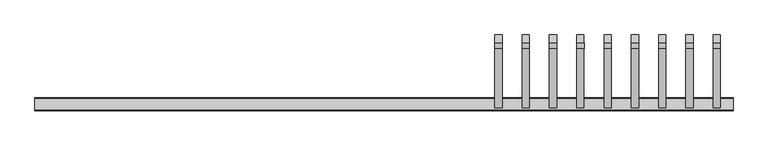
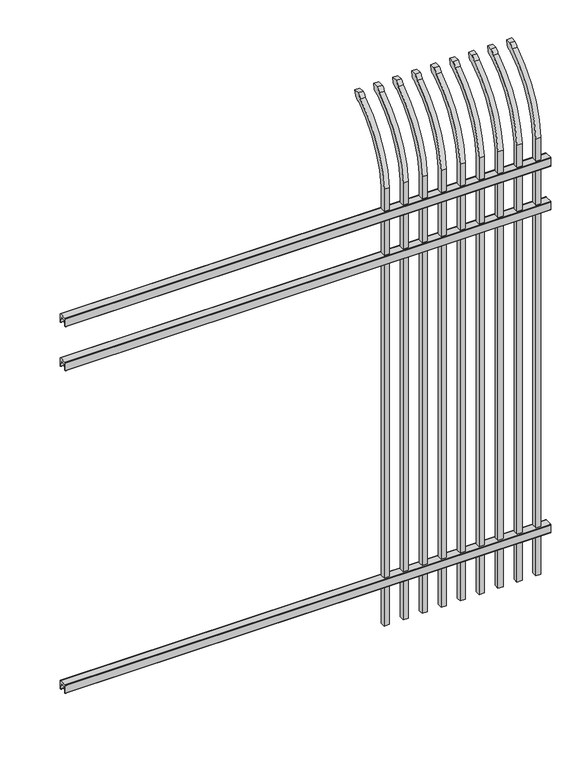
"""IFC4 building model written with IfcOpenShell, lengths in millimetres: railing geometry."""

from ifc_helpers import new_model, si_unit, point, frame, frame_2d, origin, place, context, project, spatial, polyline, circle_curve, ellipse_curve, trimmed, segment, composite_curve, outline, extrude, source, transform, mapped, element, save
from ifc_brep_helpers import plane_surface, cylinder_surface, revolved_surface, extruded_surface, advanced_brep


def railing_83c5aa42(model_context):
    return source(origin(), model_context, "Body", "SolidModel", [
        extrude(outline(composite_curve([segment(polyline([(10349.9139761, 304.8), (10387.969541, 304.8)]), True, "CONTINUOUS"), segment(trimmed(circle_curve(frame_2d((10387.969541, 301.625)), 3.175), [point((10387.969541, 304.8))], [point((10391.144541, 301.625))], False, "CARTESIAN"), True, "CONTINUOUS"), segment(polyline([(10391.144541, 301.625), (10391.144541, 262.1439893)]), True, "CONTINUOUS"), segment(trimmed(circle_curve(frame_2d((10389.3505518, 262.1439893)), 1.7939893), [point((10391.144541, 262.1439893))], [point((10389.3505518, 260.35))], False, "CARTESIAN"), True, "CONTINUOUS"), segment(polyline([(10389.3505518, 260.35), (10386.7590713, 260.35)]), True, "CONTINUOUS"), segment(trimmed(circle_curve(frame_2d((10386.7590713, 262.1359375)), 1.7859375), [point((10386.7590713, 260.35))], [point((10384.9755813, 262.0424688))], False, "CARTESIAN"), True, "CONTINUOUS"), segment(polyline([(10384.9755813, 262.0424688), (10383.4025867, 292.0569942), (10354.4364954, 292.0569942), (10352.8635007, 262.0424688)]), True, "CONTINUOUS"), segment(trimmed(circle_curve(frame_2d((10351.0800108, 262.1359375)), 1.7859375), [point((10352.8635007, 262.0424688))], [point((10351.0800108, 260.35))], False, "CARTESIAN"), True, "CONTINUOUS"), segment(polyline([(10351.0800108, 260.35), (10348.4804785, 260.35)]), True, "CONTINUOUS"), segment(trimmed(circle_curve(frame_2d((10348.4804785, 262.1359375)), 1.7859375), [point((10348.4804785, 260.35))], [point((10346.694541, 262.1359375))], False, "CARTESIAN"), True, "CONTINUOUS"), segment(polyline([(10346.694541, 262.1359375), (10346.694541, 301.5805649)]), True, "CONTINUOUS"), segment(trimmed(circle_curve(frame_2d((10349.9139761, 301.5805649)), 3.2194351), [point((10346.694541, 301.5805649))], [point((10349.9139761, 304.8))], False, "CARTESIAN"), True, "CONTINUOUS")], self_intersect=False)), frame((24591.7350064, 0.0, 0.0), z_axis=(1.0, 0.0, 0.0), x_axis=(0.0, 1.0, 0.0)), (0.0, 0.0, 1.0), 2438.4),
        extrude(outline(composite_curve([segment(polyline([(10349.9139761, 2017.7125), (10387.969541, 2017.7125)]), True, "CONTINUOUS"), segment(trimmed(circle_curve(frame_2d((10387.969541, 2014.5375)), 3.175), [point((10387.969541, 2017.7125))], [point((10391.144541, 2014.5375))], False, "CARTESIAN"), True, "CONTINUOUS"), segment(polyline([(10391.144541, 2014.5375), (10391.144541, 1975.0564893)]), True, "CONTINUOUS"), segment(trimmed(circle_curve(frame_2d((10389.3505518, 1975.0564893)), 1.7939893), [point((10391.144541, 1975.0564893))], [point((10389.3505518, 1973.2625))], False, "CARTESIAN"), True, "CONTINUOUS"), segment(polyline([(10389.3505518, 1973.2625), (10386.7590713, 1973.2625)]), True, "CONTINUOUS"), segment(trimmed(circle_curve(frame_2d((10386.7590713, 1975.0484375)), 1.7859375), [point((10386.7590713, 1973.2625))], [point((10384.9755813, 1974.9549688))], False, "CARTESIAN"), True, "CONTINUOUS"), segment(polyline([(10384.9755813, 1974.9549688), (10383.4025867, 2004.9694942), (10354.4364954, 2004.9694942), (10352.8635007, 1974.9549688)]), True, "CONTINUOUS"), segment(trimmed(circle_curve(frame_2d((10351.0800108, 1975.0484375)), 1.7859375), [point((10352.8635007, 1974.9549688))], [point((10351.0800108, 1973.2625))], False, "CARTESIAN"), True, "CONTINUOUS"), segment(polyline([(10351.0800108, 1973.2625), (10348.4804785, 1973.2625)]), True, "CONTINUOUS"), segment(trimmed(circle_curve(frame_2d((10348.4804785, 1975.0484375)), 1.7859375), [point((10348.4804785, 1973.2625))], [point((10346.694541, 1975.0484375))], False, "CARTESIAN"), True, "CONTINUOUS"), segment(polyline([(10346.694541, 1975.0484375), (10346.694541, 2014.4930649)]), True, "CONTINUOUS"), segment(trimmed(circle_curve(frame_2d((10349.9139761, 2014.4930649)), 3.2194351), [point((10346.694541, 2014.4930649))], [point((10349.9139761, 2017.7125))], False, "CARTESIAN"), True, "CONTINUOUS")], self_intersect=False)), frame((24591.7350064, 0.0, 0.0), z_axis=(1.0, 0.0, 0.0), x_axis=(0.0, 1.0, 0.0)), (0.0, 0.0, 1.0), 2438.4),
        extrude(outline(composite_curve([segment(polyline([(10349.9139761, 2251.075), (10387.969541, 2251.075)]), True, "CONTINUOUS"), segment(trimmed(circle_curve(frame_2d((10387.969541, 2247.9)), 3.175), [point((10387.969541, 2251.075))], [point((10391.144541, 2247.9))], False, "CARTESIAN"), True, "CONTINUOUS"), segment(polyline([(10391.144541, 2247.9), (10391.144541, 2208.4189893)]), True, "CONTINUOUS"), segment(trimmed(circle_curve(frame_2d((10389.3505518, 2208.4189893)), 1.7939893), [point((10391.144541, 2208.4189893))], [point((10389.3505518, 2206.625))], False, "CARTESIAN"), True, "CONTINUOUS"), segment(polyline([(10389.3505518, 2206.625), (10386.7590713, 2206.625)]), True, "CONTINUOUS"), segment(trimmed(circle_curve(frame_2d((10386.7590713, 2208.4109375)), 1.7859375), [point((10386.7590713, 2206.625))], [point((10384.9755813, 2208.3174688))], False, "CARTESIAN"), True, "CONTINUOUS"), segment(polyline([(10384.9755813, 2208.3174688), (10383.4025867, 2238.3319942), (10354.4364954, 2238.3319942), (10352.8635007, 2208.3174688)]), True, "CONTINUOUS"), segment(trimmed(circle_curve(frame_2d((10351.0800108, 2208.4109375)), 1.7859375), [point((10352.8635007, 2208.3174688))], [point((10351.0800108, 2206.625))], False, "CARTESIAN"), True, "CONTINUOUS"), segment(polyline([(10351.0800108, 2206.625), (10348.4804785, 2206.625)]), True, "CONTINUOUS"), segment(trimmed(circle_curve(frame_2d((10348.4804785, 2208.4109375)), 1.7859375), [point((10348.4804785, 2206.625))], [point((10346.694541, 2208.4109375))], False, "CARTESIAN"), True, "CONTINUOUS"), segment(polyline([(10346.694541, 2208.4109375), (10346.694541, 2247.8555649)]), True, "CONTINUOUS"), segment(trimmed(circle_curve(frame_2d((10349.9139761, 2247.8555649)), 3.2194351), [point((10346.694541, 2247.8555649))], [point((10349.9139761, 2251.075))], False, "CARTESIAN"), True, "CONTINUOUS")], self_intersect=False)), frame((24591.7350064, 0.0, 0.0), z_axis=(1.0, 0.0, 0.0), x_axis=(0.0, 1.0, 0.0)), (0.0, 0.0, 1.0), 2438.4),
        advanced_brep(
        [(26985.6850064, 10381.619541, 50.8), (26985.6850064, 10381.619541, 2368.7226889), (26985.6850064, 10578.7326851, 2700.9022378), (26985.6850064, 10605.2407099, 2715.5867549), (26985.6850064, 10611.1100864, 2743.2), (26985.6850064, 10582.8799449, 2743.2), (26985.6850064, 10563.4931591, 2722.2682561), (26985.6850064, 10356.219541, 2368.7226889), (26985.6850064, 10356.219541, 50.8), (26960.2850064, 10381.619541, 50.8), (26960.2850064, 10381.619541, 2368.7226889), (26960.2850064, 10356.219541, 2368.7226889), (26960.2850064, 10356.219541, 50.8), (26960.2850064, 10563.4931591, 2722.2682561), (26960.2850064, 10582.8799449, 2743.2), (26960.2850064, 10611.1100864, 2743.2), (26960.2850064, 10605.2407099, 2715.5867549), (26960.2850064, 10578.7326851, 2700.9022378)],
        [
            (0, 1),
            (1, 2, circle_curve(frame((26985.6850064, 10818.9874207, 2333.7640776), z_axis=(-1.0, 0.0, 0.0), x_axis=(0.0, 1.0, 0.0)), 438.7627681)),
            (2, 3, ellipse_curve(frame((26985.6850064, 10586.5579376, 2723.3180619), z_axis=(1.0, 0.0, 0.0), x_axis=(0.0, -0.7771459614569761, -0.6293203910498311)), 26.7460194, 19.05)),
            (3, 4),
            (4, 5),
            (5, 6, ellipse_curve(frame((26985.6850064, 10586.5579376, 2723.3180619), z_axis=(0.9999999999999999, 0.0, 0.0), x_axis=(0.0, -0.7771459614569763, -0.6293203910498306)), 26.7460194, 19.05)),
            (6, 7, circle_curve(frame((26985.6850064, 10818.0333244, 2335.5065933), z_axis=(1.0, 0.0, 0.0), x_axis=(0.0, 1.0, 0.0)), 463.0067812)),
            (7, 8),
            (8, 0),
            (0, 9),
            (9, 10),
            (10, 1),
            (7, 11),
            (11, 12),
            (12, 8),
            (12, 9),
            (11, 13, circle_curve(frame((26960.2850064, 10818.0333244, 2335.5065933), z_axis=(-1.0, 0.0, 0.0), x_axis=(0.0, 1.0, 0.0)), 463.0067812)),
            (13, 14, ellipse_curve(frame((26960.2850064, 10586.5579376, 2723.3180619), z_axis=(-0.9999999999999999, 0.0, 0.0), x_axis=(0.0, -0.7771459614569763, -0.6293203910498306)), 26.7460194, 19.05)),
            (14, 15),
            (15, 16),
            (16, 17, ellipse_curve(frame((26960.2850064, 10586.5579376, 2723.3180619), z_axis=(-1.0, 0.0, 0.0), x_axis=(0.0, -0.7771459614569761, -0.6293203910498311)), 26.7460194, 19.05)),
            (17, 10, circle_curve(frame((26960.2850064, 10818.9874207, 2333.7640776), z_axis=(1.0, 0.0, 0.0), x_axis=(0.0, 1.0, 0.0)), 438.7627681)),
            (17, 2),
            (16, 3),
            (15, 4),
            (14, 5),
            (13, 6),
        ],
        [
            plane_surface(frame((26985.6850064, 10381.619541, 50.8), z_axis=(1.0, 0.0, 0.0), x_axis=(0.0, 0.0, 1.0))),
            plane_surface(frame((26985.6850064, 10381.619541, 50.8), z_axis=(0.0, 1.0, 0.0), x_axis=(-1.0, 0.0, 0.0))),
            plane_surface(frame((26985.6850064, 10356.219541, 2368.7226889), z_axis=(0.0, -1.0, 0.0), x_axis=(-1.0, 0.0, 0.0))),
            plane_surface(frame((26985.6850064, 10356.219541, 50.8), z_axis=(0.0, 0.0, -1.0), x_axis=(-1.0, 0.0, 0.0))),
            plane_surface(frame((26960.2850064, 10381.619541, 50.8), z_axis=(-1.0, 0.0, 0.0), x_axis=(0.0, 0.0, -1.0))),
            revolved_surface(polyline([(26960.2850064, 11257.750188799999, 2333.7640776), (26985.6850064, 11257.750188799999, 2333.7640776)]), (26960.2850064, 10818.9874207, 2333.7640776), (-1.0, 0.0, 0.0)),
            extruded_surface(trimmed(ellipse_curve(frame((26934.8850064, 10586.5579376, 2723.3180619), z_axis=(1.0, 0.0, 0.0), x_axis=(0.0, -0.7771459614569761, -0.6293203910498311)), 26.7460194, 19.05), [point((26934.8850064, 10578.7326851, 2700.9022378))], [point((26934.8850064, 10605.2407099, 2715.5867549))], True, "CARTESIAN"), (25.400000000001455, 0.0, 0.0), 25.400000000001455),
            plane_surface(frame((26985.6850064, 10605.2407099, 2715.5867549), z_axis=(0.0, 0.9781476007337995, -0.2079116908177883), x_axis=(-1.0, 0.0, 0.0))),
            plane_surface(frame((26985.6850064, 10611.1100864, 2743.2), z_axis=(0.0, 0.0, 1.0), x_axis=(-1.0, 0.0, 0.0))),
            extruded_surface(trimmed(ellipse_curve(frame((26934.8850064, 10586.5579376, 2723.3180619), z_axis=(0.9999999999999999, 0.0, 0.0), x_axis=(0.0, -0.7771459614569763, -0.6293203910498306)), 26.7460194, 19.05), [point((26934.8850064, 10582.8799449, 2743.2))], [point((26934.8850064, 10563.4931591, 2722.2682561))], True, "CARTESIAN"), (25.400000000001455, 0.0, 0.0), 25.400000000001455),
            cylinder_surface(frame((26960.2850064, 10818.0333244, 2335.5065933), z_axis=(1.0, 0.0, 0.0), x_axis=(0.0, 1.0, 0.0)), 463.0067812),
        ],
        [
            (0, [[1, 2, 3, 4, 5, 6, 7, 8, 9]]),
            (1, [[-1, 10, 11, 12]]),
            (2, [[-8, 13, 14, 15]]),
            (3, [[-9, -15, 16, -10]]),
            (4, [[-16, -14, 17, 18, 19, 20, 21, 22, -11]]),
            (5, [[-2, -12, -22, 23]]),
            (6, [[-3, -23, -21, 24]]),
            (7, [[-4, -24, -20, 25]]),
            (8, [[-5, -25, -19, 26]]),
            (9, [[-6, -26, -18, 27]]),
            (10, [[-7, -27, -17, -13]]),
        ],
    ),
        advanced_brep(
        [(26890.4350064, 10381.619541, 50.8), (26890.4350064, 10381.619541, 2368.7226889), (26890.4350064, 10578.7326851, 2700.9022378), (26890.4350064, 10605.2407099, 2715.5867549), (26890.4350064, 10611.1100864, 2743.2), (26890.4350064, 10582.8799449, 2743.2), (26890.4350064, 10563.4931591, 2722.2682561), (26890.4350064, 10356.219541, 2368.7226889), (26890.4350064, 10356.219541, 50.8), (26865.0350064, 10381.619541, 50.8), (26865.0350064, 10381.619541, 2368.7226889), (26865.0350064, 10356.219541, 2368.7226889), (26865.0350064, 10356.219541, 50.8), (26865.0350064, 10563.4931591, 2722.2682561), (26865.0350064, 10582.8799449, 2743.2), (26865.0350064, 10611.1100864, 2743.2), (26865.0350064, 10605.2407099, 2715.5867549), (26865.0350064, 10578.7326851, 2700.9022378)],
        [
            (0, 1),
            (1, 2, circle_curve(frame((26890.4350064, 10818.9874207, 2333.7640776), z_axis=(-1.0, 0.0, 0.0), x_axis=(0.0, 1.0, 0.0)), 438.7627681)),
            (2, 3, ellipse_curve(frame((26890.4350064, 10586.5579376, 2723.3180619), z_axis=(1.0, 0.0, 0.0), x_axis=(0.0, -0.7771459614569761, -0.6293203910498311)), 26.7460194, 19.05)),
            (3, 4),
            (4, 5),
            (5, 6, ellipse_curve(frame((26890.4350064, 10586.5579376, 2723.3180619), z_axis=(0.9999999999999999, 0.0, 0.0), x_axis=(0.0, -0.7771459614569763, -0.6293203910498306)), 26.7460194, 19.05)),
            (6, 7, circle_curve(frame((26890.4350064, 10818.0333244, 2335.5065933), z_axis=(1.0, 0.0, 0.0), x_axis=(0.0, 1.0, 0.0)), 463.0067812)),
            (7, 8),
            (8, 0),
            (0, 9),
            (9, 10),
            (10, 1),
            (7, 11),
            (11, 12),
            (12, 8),
            (12, 9),
            (11, 13, circle_curve(frame((26865.0350064, 10818.0333244, 2335.5065933), z_axis=(-1.0, 0.0, 0.0), x_axis=(0.0, 1.0, 0.0)), 463.0067812)),
            (13, 14, ellipse_curve(frame((26865.0350064, 10586.5579376, 2723.3180619), z_axis=(-0.9999999999999999, 0.0, 0.0), x_axis=(0.0, -0.7771459614569763, -0.6293203910498306)), 26.7460194, 19.05)),
            (14, 15),
            (15, 16),
            (16, 17, ellipse_curve(frame((26865.0350064, 10586.5579376, 2723.3180619), z_axis=(-1.0, 0.0, 0.0), x_axis=(0.0, -0.7771459614569761, -0.6293203910498311)), 26.7460194, 19.05)),
            (17, 10, circle_curve(frame((26865.0350064, 10818.9874207, 2333.7640776), z_axis=(1.0, 0.0, 0.0), x_axis=(0.0, 1.0, 0.0)), 438.7627681)),
            (17, 2),
            (16, 3),
            (15, 4),
            (14, 5),
            (13, 6),
        ],
        [
            plane_surface(frame((26890.4350064, 10381.619541, 50.8), z_axis=(1.0, 0.0, 0.0), x_axis=(0.0, 0.0, 1.0))),
            plane_surface(frame((26890.4350064, 10381.619541, 50.8), z_axis=(0.0, 1.0, 0.0), x_axis=(-1.0, 0.0, 0.0))),
            plane_surface(frame((26890.4350064, 10356.219541, 2368.7226889), z_axis=(0.0, -1.0, 0.0), x_axis=(-1.0, 0.0, 0.0))),
            plane_surface(frame((26890.4350064, 10356.219541, 50.8), z_axis=(0.0, 0.0, -1.0), x_axis=(-1.0, 0.0, 0.0))),
            plane_surface(frame((26865.0350064, 10381.619541, 50.8), z_axis=(-1.0, 0.0, 0.0), x_axis=(0.0, 0.0, -1.0))),
            revolved_surface(polyline([(26865.0350064, 11257.750188799999, 2333.7640776), (26890.4350064, 11257.750188799999, 2333.7640776)]), (26865.0350064, 10818.9874207, 2333.7640776), (-1.0, 0.0, 0.0)),
            extruded_surface(trimmed(ellipse_curve(frame((26839.6350064, 10586.5579376, 2723.3180619), z_axis=(1.0, 0.0, 0.0), x_axis=(0.0, -0.7771459614569761, -0.6293203910498311)), 26.7460194, 19.05), [point((26839.6350064, 10578.7326851, 2700.9022378))], [point((26839.6350064, 10605.2407099, 2715.5867549))], True, "CARTESIAN"), (25.400000000001455, 0.0, 0.0), 25.400000000001455),
            plane_surface(frame((26890.4350064, 10605.2407099, 2715.5867549), z_axis=(0.0, 0.9781476007337995, -0.2079116908177883), x_axis=(-1.0, 0.0, 0.0))),
            plane_surface(frame((26890.4350064, 10611.1100864, 2743.2), z_axis=(0.0, 0.0, 1.0), x_axis=(-1.0, 0.0, 0.0))),
            extruded_surface(trimmed(ellipse_curve(frame((26839.6350064, 10586.5579376, 2723.3180619), z_axis=(0.9999999999999999, 0.0, 0.0), x_axis=(0.0, -0.7771459614569763, -0.6293203910498306)), 26.7460194, 19.05), [point((26839.6350064, 10582.8799449, 2743.2))], [point((26839.6350064, 10563.4931591, 2722.2682561))], True, "CARTESIAN"), (25.400000000001455, 0.0, 0.0), 25.400000000001455),
            cylinder_surface(frame((26865.0350064, 10818.0333244, 2335.5065933), z_axis=(1.0, 0.0, 0.0), x_axis=(0.0, 1.0, 0.0)), 463.0067812),
        ],
        [
            (0, [[1, 2, 3, 4, 5, 6, 7, 8, 9]]),
            (1, [[-1, 10, 11, 12]]),
            (2, [[-8, 13, 14, 15]]),
            (3, [[-9, -15, 16, -10]]),
            (4, [[-16, -14, 17, 18, 19, 20, 21, 22, -11]]),
            (5, [[-2, -12, -22, 23]]),
            (6, [[-3, -23, -21, 24]]),
            (7, [[-4, -24, -20, 25]]),
            (8, [[-5, -25, -19, 26]]),
            (9, [[-6, -26, -18, 27]]),
            (10, [[-7, -27, -17, -13]]),
        ],
    ),
        advanced_brep(
        [(26795.1850064, 10381.619541, 50.8), (26795.1850064, 10381.619541, 2368.7226889), (26795.1850064, 10578.7326851, 2700.9022378), (26795.1850064, 10605.2407099, 2715.5867549), (26795.1850064, 10611.1100864, 2743.2), (26795.1850064, 10582.8799449, 2743.2), (26795.1850064, 10563.4931591, 2722.2682561), (26795.1850064, 10356.219541, 2368.7226889), (26795.1850064, 10356.219541, 50.8), (26769.7850064, 10381.619541, 50.8), (26769.7850064, 10381.619541, 2368.7226889), (26769.7850064, 10356.219541, 2368.7226889), (26769.7850064, 10356.219541, 50.8), (26769.7850064, 10563.4931591, 2722.2682561), (26769.7850064, 10582.8799449, 2743.2), (26769.7850064, 10611.1100864, 2743.2), (26769.7850064, 10605.2407099, 2715.5867549), (26769.7850064, 10578.7326851, 2700.9022378)],
        [
            (0, 1),
            (1, 2, circle_curve(frame((26795.1850064, 10818.9874207, 2333.7640776), z_axis=(-1.0, 0.0, 0.0), x_axis=(0.0, 1.0, 0.0)), 438.7627681)),
            (2, 3, ellipse_curve(frame((26795.1850064, 10586.5579376, 2723.3180619), z_axis=(1.0, 0.0, 0.0), x_axis=(0.0, -0.7771459614569761, -0.6293203910498311)), 26.7460194, 19.05)),
            (3, 4),
            (4, 5),
            (5, 6, ellipse_curve(frame((26795.1850064, 10586.5579376, 2723.3180619), z_axis=(0.9999999999999999, 0.0, 0.0), x_axis=(0.0, -0.7771459614569763, -0.6293203910498306)), 26.7460194, 19.05)),
            (6, 7, circle_curve(frame((26795.1850064, 10818.0333244, 2335.5065933), z_axis=(1.0, 0.0, 0.0), x_axis=(0.0, 1.0, 0.0)), 463.0067812)),
            (7, 8),
            (8, 0),
            (0, 9),
            (9, 10),
            (10, 1),
            (7, 11),
            (11, 12),
            (12, 8),
            (12, 9),
            (11, 13, circle_curve(frame((26769.7850064, 10818.0333244, 2335.5065933), z_axis=(-1.0, 0.0, 0.0), x_axis=(0.0, 1.0, 0.0)), 463.0067812)),
            (13, 14, ellipse_curve(frame((26769.7850064, 10586.5579376, 2723.3180619), z_axis=(-0.9999999999999999, 0.0, 0.0), x_axis=(0.0, -0.7771459614569763, -0.6293203910498306)), 26.7460194, 19.05)),
            (14, 15),
            (15, 16),
            (16, 17, ellipse_curve(frame((26769.7850064, 10586.5579376, 2723.3180619), z_axis=(-1.0, 0.0, 0.0), x_axis=(0.0, -0.7771459614569761, -0.6293203910498311)), 26.7460194, 19.05)),
            (17, 10, circle_curve(frame((26769.7850064, 10818.9874207, 2333.7640776), z_axis=(1.0, 0.0, 0.0), x_axis=(0.0, 1.0, 0.0)), 438.7627681)),
            (17, 2),
            (16, 3),
            (15, 4),
            (14, 5),
            (13, 6),
        ],
        [
            plane_surface(frame((26795.1850064, 10381.619541, 50.8), z_axis=(1.0, 0.0, 0.0), x_axis=(0.0, 0.0, 1.0))),
            plane_surface(frame((26795.1850064, 10381.619541, 50.8), z_axis=(0.0, 1.0, 0.0), x_axis=(-1.0, 0.0, 0.0))),
            plane_surface(frame((26795.1850064, 10356.219541, 2368.7226889), z_axis=(0.0, -1.0, 0.0), x_axis=(-1.0, 0.0, 0.0))),
            plane_surface(frame((26795.1850064, 10356.219541, 50.8), z_axis=(0.0, 0.0, -1.0), x_axis=(-1.0, 0.0, 0.0))),
            plane_surface(frame((26769.7850064, 10381.619541, 50.8), z_axis=(-1.0, 0.0, 0.0), x_axis=(0.0, 0.0, -1.0))),
            revolved_surface(polyline([(26769.7850064, 11257.750188799999, 2333.7640776), (26795.1850064, 11257.750188799999, 2333.7640776)]), (26769.7850064, 10818.9874207, 2333.7640776), (-1.0, 0.0, 0.0)),
            extruded_surface(trimmed(ellipse_curve(frame((26744.3850064, 10586.5579376, 2723.3180619), z_axis=(1.0, 0.0, 0.0), x_axis=(0.0, -0.7771459614569761, -0.6293203910498311)), 26.7460194, 19.05), [point((26744.3850064, 10578.7326851, 2700.9022378))], [point((26744.3850064, 10605.2407099, 2715.5867549))], True, "CARTESIAN"), (25.400000000001455, 0.0, 0.0), 25.400000000001455),
            plane_surface(frame((26795.1850064, 10605.2407099, 2715.5867549), z_axis=(0.0, 0.9781476007337995, -0.2079116908177883), x_axis=(-1.0, 0.0, 0.0))),
            plane_surface(frame((26795.1850064, 10611.1100864, 2743.2), z_axis=(0.0, 0.0, 1.0), x_axis=(-1.0, 0.0, 0.0))),
            extruded_surface(trimmed(ellipse_curve(frame((26744.3850064, 10586.5579376, 2723.3180619), z_axis=(0.9999999999999999, 0.0, 0.0), x_axis=(0.0, -0.7771459614569763, -0.6293203910498306)), 26.7460194, 19.05), [point((26744.3850064, 10582.8799449, 2743.2))], [point((26744.3850064, 10563.4931591, 2722.2682561))], True, "CARTESIAN"), (25.400000000001455, 0.0, 0.0), 25.400000000001455),
            cylinder_surface(frame((26769.7850064, 10818.0333244, 2335.5065933), z_axis=(1.0, 0.0, 0.0), x_axis=(0.0, 1.0, 0.0)), 463.0067812),
        ],
        [
            (0, [[1, 2, 3, 4, 5, 6, 7, 8, 9]]),
            (1, [[-1, 10, 11, 12]]),
            (2, [[-8, 13, 14, 15]]),
            (3, [[-9, -15, 16, -10]]),
            (4, [[-16, -14, 17, 18, 19, 20, 21, 22, -11]]),
            (5, [[-2, -12, -22, 23]]),
            (6, [[-3, -23, -21, 24]]),
            (7, [[-4, -24, -20, 25]]),
            (8, [[-5, -25, -19, 26]]),
            (9, [[-6, -26, -18, 27]]),
            (10, [[-7, -27, -17, -13]]),
        ],
    ),
        advanced_brep(
        [(26699.9350064, 10381.619541, 50.8), (26699.9350064, 10381.619541, 2368.7226889), (26699.9350064, 10578.7326851, 2700.9022378), (26699.9350064, 10605.2407099, 2715.5867549), (26699.9350064, 10611.1100864, 2743.2), (26699.9350064, 10582.8799449, 2743.2), (26699.9350064, 10563.4931591, 2722.2682561), (26699.9350064, 10356.219541, 2368.7226889), (26699.9350064, 10356.219541, 50.8), (26674.5350064, 10381.619541, 50.8), (26674.5350064, 10381.619541, 2368.7226889), (26674.5350064, 10356.219541, 2368.7226889), (26674.5350064, 10356.219541, 50.8), (26674.5350064, 10563.4931591, 2722.2682561), (26674.5350064, 10582.8799449, 2743.2), (26674.5350064, 10611.1100864, 2743.2), (26674.5350064, 10605.2407099, 2715.5867549), (26674.5350064, 10578.7326851, 2700.9022378)],
        [
            (0, 1),
            (1, 2, circle_curve(frame((26699.9350064, 10818.9874207, 2333.7640776), z_axis=(-1.0, 0.0, 0.0), x_axis=(0.0, 1.0, 0.0)), 438.7627681)),
            (2, 3, ellipse_curve(frame((26699.9350064, 10586.5579376, 2723.3180619), z_axis=(1.0, 0.0, 0.0), x_axis=(0.0, -0.7771459614569761, -0.6293203910498311)), 26.7460194, 19.05)),
            (3, 4),
            (4, 5),
            (5, 6, ellipse_curve(frame((26699.9350064, 10586.5579376, 2723.3180619), z_axis=(0.9999999999999999, 0.0, 0.0), x_axis=(0.0, -0.7771459614569763, -0.6293203910498306)), 26.7460194, 19.05)),
            (6, 7, circle_curve(frame((26699.9350064, 10818.0333244, 2335.5065933), z_axis=(1.0, 0.0, 0.0), x_axis=(0.0, 1.0, 0.0)), 463.0067812)),
            (7, 8),
            (8, 0),
            (0, 9),
            (9, 10),
            (10, 1),
            (7, 11),
            (11, 12),
            (12, 8),
            (12, 9),
            (11, 13, circle_curve(frame((26674.5350064, 10818.0333244, 2335.5065933), z_axis=(-1.0, 0.0, 0.0), x_axis=(0.0, 1.0, 0.0)), 463.0067812)),
            (13, 14, ellipse_curve(frame((26674.5350064, 10586.5579376, 2723.3180619), z_axis=(-0.9999999999999999, 0.0, 0.0), x_axis=(0.0, -0.7771459614569763, -0.6293203910498306)), 26.7460194, 19.05)),
            (14, 15),
            (15, 16),
            (16, 17, ellipse_curve(frame((26674.5350064, 10586.5579376, 2723.3180619), z_axis=(-1.0, 0.0, 0.0), x_axis=(0.0, -0.7771459614569761, -0.6293203910498311)), 26.7460194, 19.05)),
            (17, 10, circle_curve(frame((26674.5350064, 10818.9874207, 2333.7640776), z_axis=(1.0, 0.0, 0.0), x_axis=(0.0, 1.0, 0.0)), 438.7627681)),
            (17, 2),
            (16, 3),
            (15, 4),
            (14, 5),
            (13, 6),
        ],
        [
            plane_surface(frame((26699.9350064, 10381.619541, 50.8), z_axis=(1.0, 0.0, 0.0), x_axis=(0.0, 0.0, 1.0))),
            plane_surface(frame((26699.9350064, 10381.619541, 50.8), z_axis=(0.0, 1.0, 0.0), x_axis=(-1.0, 0.0, 0.0))),
            plane_surface(frame((26699.9350064, 10356.219541, 2368.7226889), z_axis=(0.0, -1.0, 0.0), x_axis=(-1.0, 0.0, 0.0))),
            plane_surface(frame((26699.9350064, 10356.219541, 50.8), z_axis=(0.0, 0.0, -1.0), x_axis=(-1.0, 0.0, 0.0))),
            plane_surface(frame((26674.5350064, 10381.619541, 50.8), z_axis=(-1.0, 0.0, 0.0), x_axis=(0.0, 0.0, -1.0))),
            revolved_surface(polyline([(26674.5350064, 11257.750188799999, 2333.7640776), (26699.9350064, 11257.750188799999, 2333.7640776)]), (26674.5350064, 10818.9874207, 2333.7640776), (-1.0, 0.0, 0.0)),
            extruded_surface(trimmed(ellipse_curve(frame((26649.1350064, 10586.5579376, 2723.3180619), z_axis=(1.0, 0.0, 0.0), x_axis=(0.0, -0.7771459614569761, -0.6293203910498311)), 26.7460194, 19.05), [point((26649.1350064, 10578.7326851, 2700.9022378))], [point((26649.1350064, 10605.2407099, 2715.5867549))], True, "CARTESIAN"), (25.400000000001455, 0.0, 0.0), 25.400000000001455),
            plane_surface(frame((26699.9350064, 10605.2407099, 2715.5867549), z_axis=(0.0, 0.9781476007337995, -0.2079116908177883), x_axis=(-1.0, 0.0, 0.0))),
            plane_surface(frame((26699.9350064, 10611.1100864, 2743.2), z_axis=(0.0, 0.0, 1.0), x_axis=(-1.0, 0.0, 0.0))),
            extruded_surface(trimmed(ellipse_curve(frame((26649.1350064, 10586.5579376, 2723.3180619), z_axis=(0.9999999999999999, 0.0, 0.0), x_axis=(0.0, -0.7771459614569763, -0.6293203910498306)), 26.7460194, 19.05), [point((26649.1350064, 10582.8799449, 2743.2))], [point((26649.1350064, 10563.4931591, 2722.2682561))], True, "CARTESIAN"), (25.400000000001455, 0.0, 0.0), 25.400000000001455),
            cylinder_surface(frame((26674.5350064, 10818.0333244, 2335.5065933), z_axis=(1.0, 0.0, 0.0), x_axis=(0.0, 1.0, 0.0)), 463.0067812),
        ],
        [
            (0, [[1, 2, 3, 4, 5, 6, 7, 8, 9]]),
            (1, [[-1, 10, 11, 12]]),
            (2, [[-8, 13, 14, 15]]),
            (3, [[-9, -15, 16, -10]]),
            (4, [[-16, -14, 17, 18, 19, 20, 21, 22, -11]]),
            (5, [[-2, -12, -22, 23]]),
            (6, [[-3, -23, -21, 24]]),
            (7, [[-4, -24, -20, 25]]),
            (8, [[-5, -25, -19, 26]]),
            (9, [[-6, -26, -18, 27]]),
            (10, [[-7, -27, -17, -13]]),
        ],
    ),
        advanced_brep(
        [(26604.6850064, 10381.619541, 50.8), (26604.6850064, 10381.619541, 2368.7226889), (26604.6850064, 10578.7326851, 2700.9022378), (26604.6850064, 10605.2407099, 2715.5867549), (26604.6850064, 10611.1100864, 2743.2), (26604.6850064, 10582.8799449, 2743.2), (26604.6850064, 10563.4931591, 2722.2682561), (26604.6850064, 10356.219541, 2368.7226889), (26604.6850064, 10356.219541, 50.8), (26579.2850064, 10381.619541, 50.8), (26579.2850064, 10381.619541, 2368.7226889), (26579.2850064, 10356.219541, 2368.7226889), (26579.2850064, 10356.219541, 50.8), (26579.2850064, 10563.4931591, 2722.2682561), (26579.2850064, 10582.8799449, 2743.2), (26579.2850064, 10611.1100864, 2743.2), (26579.2850064, 10605.2407099, 2715.5867549), (26579.2850064, 10578.7326851, 2700.9022378)],
        [
            (0, 1),
            (1, 2, circle_curve(frame((26604.6850064, 10818.9874207, 2333.7640776), z_axis=(-1.0, 0.0, 0.0), x_axis=(0.0, 1.0, 0.0)), 438.7627681)),
            (2, 3, ellipse_curve(frame((26604.6850064, 10586.5579376, 2723.3180619), z_axis=(1.0, 0.0, 0.0), x_axis=(0.0, -0.7771459614569761, -0.6293203910498311)), 26.7460194, 19.05)),
            (3, 4),
            (4, 5),
            (5, 6, ellipse_curve(frame((26604.6850064, 10586.5579376, 2723.3180619), z_axis=(0.9999999999999999, 0.0, 0.0), x_axis=(0.0, -0.7771459614569763, -0.6293203910498306)), 26.7460194, 19.05)),
            (6, 7, circle_curve(frame((26604.6850064, 10818.0333244, 2335.5065933), z_axis=(1.0, 0.0, 0.0), x_axis=(0.0, 1.0, 0.0)), 463.0067812)),
            (7, 8),
            (8, 0),
            (0, 9),
            (9, 10),
            (10, 1),
            (7, 11),
            (11, 12),
            (12, 8),
            (12, 9),
            (11, 13, circle_curve(frame((26579.2850064, 10818.0333244, 2335.5065933), z_axis=(-1.0, 0.0, 0.0), x_axis=(0.0, 1.0, 0.0)), 463.0067812)),
            (13, 14, ellipse_curve(frame((26579.2850064, 10586.5579376, 2723.3180619), z_axis=(-0.9999999999999999, 0.0, 0.0), x_axis=(0.0, -0.7771459614569763, -0.6293203910498306)), 26.7460194, 19.05)),
            (14, 15),
            (15, 16),
            (16, 17, ellipse_curve(frame((26579.2850064, 10586.5579376, 2723.3180619), z_axis=(-1.0, 0.0, 0.0), x_axis=(0.0, -0.7771459614569761, -0.6293203910498311)), 26.7460194, 19.05)),
            (17, 10, circle_curve(frame((26579.2850064, 10818.9874207, 2333.7640776), z_axis=(1.0, 0.0, 0.0), x_axis=(0.0, 1.0, 0.0)), 438.7627681)),
            (17, 2),
            (16, 3),
            (15, 4),
            (14, 5),
            (13, 6),
        ],
        [
            plane_surface(frame((26604.6850064, 10381.619541, 50.8), z_axis=(1.0, 0.0, 0.0), x_axis=(0.0, 0.0, 1.0))),
            plane_surface(frame((26604.6850064, 10381.619541, 50.8), z_axis=(0.0, 1.0, 0.0), x_axis=(-1.0, 0.0, 0.0))),
            plane_surface(frame((26604.6850064, 10356.219541, 2368.7226889), z_axis=(0.0, -1.0, 0.0), x_axis=(-1.0, 0.0, 0.0))),
            plane_surface(frame((26604.6850064, 10356.219541, 50.8), z_axis=(0.0, 0.0, -1.0), x_axis=(-1.0, 0.0, 0.0))),
            plane_surface(frame((26579.2850064, 10381.619541, 50.8), z_axis=(-1.0, 0.0, 0.0), x_axis=(0.0, 0.0, -1.0))),
            revolved_surface(polyline([(26579.2850064, 11257.750188799999, 2333.7640776), (26604.6850064, 11257.750188799999, 2333.7640776)]), (26579.2850064, 10818.9874207, 2333.7640776), (-1.0, 0.0, 0.0)),
            extruded_surface(trimmed(ellipse_curve(frame((26553.8850064, 10586.5579376, 2723.3180619), z_axis=(1.0, 0.0, 0.0), x_axis=(0.0, -0.7771459614569761, -0.6293203910498311)), 26.7460194, 19.05), [point((26553.8850064, 10578.7326851, 2700.9022378))], [point((26553.8850064, 10605.2407099, 2715.5867549))], True, "CARTESIAN"), (25.400000000001455, 0.0, 0.0), 25.400000000001455),
            plane_surface(frame((26604.6850064, 10605.2407099, 2715.5867549), z_axis=(0.0, 0.9781476007337995, -0.2079116908177883), x_axis=(-1.0, 0.0, 0.0))),
            plane_surface(frame((26604.6850064, 10611.1100864, 2743.2), z_axis=(0.0, 0.0, 1.0), x_axis=(-1.0, 0.0, 0.0))),
            extruded_surface(trimmed(ellipse_curve(frame((26553.8850064, 10586.5579376, 2723.3180619), z_axis=(0.9999999999999999, 0.0, 0.0), x_axis=(0.0, -0.7771459614569763, -0.6293203910498306)), 26.7460194, 19.05), [point((26553.8850064, 10582.8799449, 2743.2))], [point((26553.8850064, 10563.4931591, 2722.2682561))], True, "CARTESIAN"), (25.400000000001455, 0.0, 0.0), 25.400000000001455),
            cylinder_surface(frame((26579.2850064, 10818.0333244, 2335.5065933), z_axis=(1.0, 0.0, 0.0), x_axis=(0.0, 1.0, 0.0)), 463.0067812),
        ],
        [
            (0, [[1, 2, 3, 4, 5, 6, 7, 8, 9]]),
            (1, [[-1, 10, 11, 12]]),
            (2, [[-8, 13, 14, 15]]),
            (3, [[-9, -15, 16, -10]]),
            (4, [[-16, -14, 17, 18, 19, 20, 21, 22, -11]]),
            (5, [[-2, -12, -22, 23]]),
            (6, [[-3, -23, -21, 24]]),
            (7, [[-4, -24, -20, 25]]),
            (8, [[-5, -25, -19, 26]]),
            (9, [[-6, -26, -18, 27]]),
            (10, [[-7, -27, -17, -13]]),
        ],
    ),
        advanced_brep(
        [(26509.4350064, 10381.619541, 50.8), (26509.4350064, 10381.619541, 2368.7226889), (26509.4350064, 10578.7326851, 2700.9022378), (26509.4350064, 10605.2407099, 2715.5867549), (26509.4350064, 10611.1100864, 2743.2), (26509.4350064, 10582.8799449, 2743.2), (26509.4350064, 10563.4931591, 2722.2682561), (26509.4350064, 10356.219541, 2368.7226889), (26509.4350064, 10356.219541, 50.8), (26484.0350064, 10381.619541, 50.8), (26484.0350064, 10381.619541, 2368.7226889), (26484.0350064, 10356.219541, 2368.7226889), (26484.0350064, 10356.219541, 50.8), (26484.0350064, 10563.4931591, 2722.2682561), (26484.0350064, 10582.8799449, 2743.2), (26484.0350064, 10611.1100864, 2743.2), (26484.0350064, 10605.2407099, 2715.5867549), (26484.0350064, 10578.7326851, 2700.9022378)],
        [
            (0, 1),
            (1, 2, circle_curve(frame((26509.4350064, 10818.9874207, 2333.7640776), z_axis=(-1.0, 0.0, 0.0), x_axis=(0.0, 1.0, 0.0)), 438.7627681)),
            (2, 3, ellipse_curve(frame((26509.4350064, 10586.5579376, 2723.3180619), z_axis=(1.0, 0.0, 0.0), x_axis=(0.0, -0.7771459614569761, -0.6293203910498311)), 26.7460194, 19.05)),
            (3, 4),
            (4, 5),
            (5, 6, ellipse_curve(frame((26509.4350064, 10586.5579376, 2723.3180619), z_axis=(0.9999999999999999, 0.0, 0.0), x_axis=(0.0, -0.7771459614569763, -0.6293203910498306)), 26.7460194, 19.05)),
            (6, 7, circle_curve(frame((26509.4350064, 10818.0333244, 2335.5065933), z_axis=(1.0, 0.0, 0.0), x_axis=(0.0, 1.0, 0.0)), 463.0067812)),
            (7, 8),
            (8, 0),
            (0, 9),
            (9, 10),
            (10, 1),
            (7, 11),
            (11, 12),
            (12, 8),
            (12, 9),
            (11, 13, circle_curve(frame((26484.0350064, 10818.0333244, 2335.5065933), z_axis=(-1.0, 0.0, 0.0), x_axis=(0.0, 1.0, 0.0)), 463.0067812)),
            (13, 14, ellipse_curve(frame((26484.0350064, 10586.5579376, 2723.3180619), z_axis=(-0.9999999999999999, 0.0, 0.0), x_axis=(0.0, -0.7771459614569763, -0.6293203910498306)), 26.7460194, 19.05)),
            (14, 15),
            (15, 16),
            (16, 17, ellipse_curve(frame((26484.0350064, 10586.5579376, 2723.3180619), z_axis=(-1.0, 0.0, 0.0), x_axis=(0.0, -0.7771459614569761, -0.6293203910498311)), 26.7460194, 19.05)),
            (17, 10, circle_curve(frame((26484.0350064, 10818.9874207, 2333.7640776), z_axis=(1.0, 0.0, 0.0), x_axis=(0.0, 1.0, 0.0)), 438.7627681)),
            (17, 2),
            (16, 3),
            (15, 4),
            (14, 5),
            (13, 6),
        ],
        [
            plane_surface(frame((26509.4350064, 10381.619541, 50.8), z_axis=(1.0, 0.0, 0.0), x_axis=(0.0, 0.0, 1.0))),
            plane_surface(frame((26509.4350064, 10381.619541, 50.8), z_axis=(0.0, 1.0, 0.0), x_axis=(-1.0, 0.0, 0.0))),
            plane_surface(frame((26509.4350064, 10356.219541, 2368.7226889), z_axis=(0.0, -1.0, 0.0), x_axis=(-1.0, 0.0, 0.0))),
            plane_surface(frame((26509.4350064, 10356.219541, 50.8), z_axis=(0.0, 0.0, -1.0), x_axis=(-1.0, 0.0, 0.0))),
            plane_surface(frame((26484.0350064, 10381.619541, 50.8), z_axis=(-1.0, 0.0, 0.0), x_axis=(0.0, 0.0, -1.0))),
            revolved_surface(polyline([(26484.0350064, 11257.750188799999, 2333.7640776), (26509.4350064, 11257.750188799999, 2333.7640776)]), (26484.0350064, 10818.9874207, 2333.7640776), (-1.0, 0.0, 0.0)),
            extruded_surface(trimmed(ellipse_curve(frame((26458.6350064, 10586.5579376, 2723.3180619), z_axis=(1.0, 0.0, 0.0), x_axis=(0.0, -0.7771459614569761, -0.6293203910498311)), 26.7460194, 19.05), [point((26458.6350064, 10578.7326851, 2700.9022378))], [point((26458.6350064, 10605.2407099, 2715.5867549))], True, "CARTESIAN"), (25.400000000001455, 0.0, 0.0), 25.400000000001455),
            plane_surface(frame((26509.4350064, 10605.2407099, 2715.5867549), z_axis=(0.0, 0.9781476007337995, -0.2079116908177883), x_axis=(-1.0, 0.0, 0.0))),
            plane_surface(frame((26509.4350064, 10611.1100864, 2743.2), z_axis=(0.0, 0.0, 1.0), x_axis=(-1.0, 0.0, 0.0))),
            extruded_surface(trimmed(ellipse_curve(frame((26458.6350064, 10586.5579376, 2723.3180619), z_axis=(0.9999999999999999, 0.0, 0.0), x_axis=(0.0, -0.7771459614569763, -0.6293203910498306)), 26.7460194, 19.05), [point((26458.6350064, 10582.8799449, 2743.2))], [point((26458.6350064, 10563.4931591, 2722.2682561))], True, "CARTESIAN"), (25.400000000001455, 0.0, 0.0), 25.400000000001455),
            cylinder_surface(frame((26484.0350064, 10818.0333244, 2335.5065933), z_axis=(1.0, 0.0, 0.0), x_axis=(0.0, 1.0, 0.0)), 463.0067812),
        ],
        [
            (0, [[1, 2, 3, 4, 5, 6, 7, 8, 9]]),
            (1, [[-1, 10, 11, 12]]),
            (2, [[-8, 13, 14, 15]]),
            (3, [[-9, -15, 16, -10]]),
            (4, [[-16, -14, 17, 18, 19, 20, 21, 22, -11]]),
            (5, [[-2, -12, -22, 23]]),
            (6, [[-3, -23, -21, 24]]),
            (7, [[-4, -24, -20, 25]]),
            (8, [[-5, -25, -19, 26]]),
            (9, [[-6, -26, -18, 27]]),
            (10, [[-7, -27, -17, -13]]),
        ],
    ),
        advanced_brep(
        [(26414.1850064, 10381.619541, 50.8), (26414.1850064, 10381.619541, 2368.7226889), (26414.1850064, 10578.7326851, 2700.9022378), (26414.1850064, 10605.2407099, 2715.5867549), (26414.1850064, 10611.1100864, 2743.2), (26414.1850064, 10582.8799449, 2743.2), (26414.1850064, 10563.4931591, 2722.2682561), (26414.1850064, 10356.219541, 2368.7226889), (26414.1850064, 10356.219541, 50.8), (26388.7850064, 10381.619541, 50.8), (26388.7850064, 10381.619541, 2368.7226889), (26388.7850064, 10356.219541, 2368.7226889), (26388.7850064, 10356.219541, 50.8), (26388.7850064, 10563.4931591, 2722.2682561), (26388.7850064, 10582.8799449, 2743.2), (26388.7850064, 10611.1100864, 2743.2), (26388.7850064, 10605.2407099, 2715.5867549), (26388.7850064, 10578.7326851, 2700.9022378)],
        [
            (0, 1),
            (1, 2, circle_curve(frame((26414.1850064, 10818.9874207, 2333.7640776), z_axis=(-1.0, 0.0, 0.0), x_axis=(0.0, 1.0, 0.0)), 438.7627681)),
            (2, 3, ellipse_curve(frame((26414.1850064, 10586.5579376, 2723.3180619), z_axis=(1.0, 0.0, 0.0), x_axis=(0.0, -0.7771459614569761, -0.6293203910498311)), 26.7460194, 19.05)),
            (3, 4),
            (4, 5),
            (5, 6, ellipse_curve(frame((26414.1850064, 10586.5579376, 2723.3180619), z_axis=(0.9999999999999999, 0.0, 0.0), x_axis=(0.0, -0.7771459614569763, -0.6293203910498306)), 26.7460194, 19.05)),
            (6, 7, circle_curve(frame((26414.1850064, 10818.0333244, 2335.5065933), z_axis=(1.0, 0.0, 0.0), x_axis=(0.0, 1.0, 0.0)), 463.0067812)),
            (7, 8),
            (8, 0),
            (0, 9),
            (9, 10),
            (10, 1),
            (7, 11),
            (11, 12),
            (12, 8),
            (12, 9),
            (11, 13, circle_curve(frame((26388.7850064, 10818.0333244, 2335.5065933), z_axis=(-1.0, 0.0, 0.0), x_axis=(0.0, 1.0, 0.0)), 463.0067812)),
            (13, 14, ellipse_curve(frame((26388.7850064, 10586.5579376, 2723.3180619), z_axis=(-0.9999999999999999, 0.0, 0.0), x_axis=(0.0, -0.7771459614569763, -0.6293203910498306)), 26.7460194, 19.05)),
            (14, 15),
            (15, 16),
            (16, 17, ellipse_curve(frame((26388.7850064, 10586.5579376, 2723.3180619), z_axis=(-1.0, 0.0, 0.0), x_axis=(0.0, -0.7771459614569761, -0.6293203910498311)), 26.7460194, 19.05)),
            (17, 10, circle_curve(frame((26388.7850064, 10818.9874207, 2333.7640776), z_axis=(1.0, 0.0, 0.0), x_axis=(0.0, 1.0, 0.0)), 438.7627681)),
            (17, 2),
            (16, 3),
            (15, 4),
            (14, 5),
            (13, 6),
        ],
        [
            plane_surface(frame((26414.1850064, 10381.619541, 50.8), z_axis=(1.0, 0.0, 0.0), x_axis=(0.0, 0.0, 1.0))),
            plane_surface(frame((26414.1850064, 10381.619541, 50.8), z_axis=(0.0, 1.0, 0.0), x_axis=(-1.0, 0.0, 0.0))),
            plane_surface(frame((26414.1850064, 10356.219541, 2368.7226889), z_axis=(0.0, -1.0, 0.0), x_axis=(-1.0, 0.0, 0.0))),
            plane_surface(frame((26414.1850064, 10356.219541, 50.8), z_axis=(0.0, 0.0, -1.0), x_axis=(-1.0, 0.0, 0.0))),
            plane_surface(frame((26388.7850064, 10381.619541, 50.8), z_axis=(-1.0, 0.0, 0.0), x_axis=(0.0, 0.0, -1.0))),
            revolved_surface(polyline([(26388.7850064, 11257.750188799999, 2333.7640776), (26414.1850064, 11257.750188799999, 2333.7640776)]), (26388.7850064, 10818.9874207, 2333.7640776), (-1.0, 0.0, 0.0)),
            extruded_surface(trimmed(ellipse_curve(frame((26363.3850064, 10586.5579376, 2723.3180619), z_axis=(1.0, 0.0, 0.0), x_axis=(0.0, -0.7771459614569761, -0.6293203910498311)), 26.7460194, 19.05), [point((26363.3850064, 10578.7326851, 2700.9022378))], [point((26363.3850064, 10605.2407099, 2715.5867549))], True, "CARTESIAN"), (25.400000000001455, 0.0, 0.0), 25.400000000001455),
            plane_surface(frame((26414.1850064, 10605.2407099, 2715.5867549), z_axis=(0.0, 0.9781476007337995, -0.2079116908177883), x_axis=(-1.0, 0.0, 0.0))),
            plane_surface(frame((26414.1850064, 10611.1100864, 2743.2), z_axis=(0.0, 0.0, 1.0), x_axis=(-1.0, 0.0, 0.0))),
            extruded_surface(trimmed(ellipse_curve(frame((26363.3850064, 10586.5579376, 2723.3180619), z_axis=(0.9999999999999999, 0.0, 0.0), x_axis=(0.0, -0.7771459614569763, -0.6293203910498306)), 26.7460194, 19.05), [point((26363.3850064, 10582.8799449, 2743.2))], [point((26363.3850064, 10563.4931591, 2722.2682561))], True, "CARTESIAN"), (25.400000000001455, 0.0, 0.0), 25.400000000001455),
            cylinder_surface(frame((26388.7850064, 10818.0333244, 2335.5065933), z_axis=(1.0, 0.0, 0.0), x_axis=(0.0, 1.0, 0.0)), 463.0067812),
        ],
        [
            (0, [[1, 2, 3, 4, 5, 6, 7, 8, 9]]),
            (1, [[-1, 10, 11, 12]]),
            (2, [[-8, 13, 14, 15]]),
            (3, [[-9, -15, 16, -10]]),
            (4, [[-16, -14, 17, 18, 19, 20, 21, 22, -11]]),
            (5, [[-2, -12, -22, 23]]),
            (6, [[-3, -23, -21, 24]]),
            (7, [[-4, -24, -20, 25]]),
            (8, [[-5, -25, -19, 26]]),
            (9, [[-6, -26, -18, 27]]),
            (10, [[-7, -27, -17, -13]]),
        ],
    ),
        advanced_brep(
        [(26318.9350064, 10381.619541, 50.8), (26318.9350064, 10381.619541, 2368.7226889), (26318.9350064, 10578.7326851, 2700.9022378), (26318.9350064, 10605.2407099, 2715.5867549), (26318.9350064, 10611.1100864, 2743.2), (26318.9350064, 10582.8799449, 2743.2), (26318.9350064, 10563.4931591, 2722.2682561), (26318.9350064, 10356.219541, 2368.7226889), (26318.9350064, 10356.219541, 50.8), (26293.5350064, 10381.619541, 50.8), (26293.5350064, 10381.619541, 2368.7226889), (26293.5350064, 10356.219541, 2368.7226889), (26293.5350064, 10356.219541, 50.8), (26293.5350064, 10563.4931591, 2722.2682561), (26293.5350064, 10582.8799449, 2743.2), (26293.5350064, 10611.1100864, 2743.2), (26293.5350064, 10605.2407099, 2715.5867549), (26293.5350064, 10578.7326851, 2700.9022378)],
        [
            (0, 1),
            (1, 2, circle_curve(frame((26318.9350064, 10818.9874207, 2333.7640776), z_axis=(-1.0, 0.0, 0.0), x_axis=(0.0, 1.0, 0.0)), 438.7627681)),
            (2, 3, ellipse_curve(frame((26318.9350064, 10586.5579376, 2723.3180619), z_axis=(1.0, 0.0, 0.0), x_axis=(0.0, -0.7771459614569761, -0.6293203910498311)), 26.7460194, 19.05)),
            (3, 4),
            (4, 5),
            (5, 6, ellipse_curve(frame((26318.9350064, 10586.5579376, 2723.3180619), z_axis=(0.9999999999999999, 0.0, 0.0), x_axis=(0.0, -0.7771459614569763, -0.6293203910498306)), 26.7460194, 19.05)),
            (6, 7, circle_curve(frame((26318.9350064, 10818.0333244, 2335.5065933), z_axis=(1.0, 0.0, 0.0), x_axis=(0.0, 1.0, 0.0)), 463.0067812)),
            (7, 8),
            (8, 0),
            (0, 9),
            (9, 10),
            (10, 1),
            (7, 11),
            (11, 12),
            (12, 8),
            (12, 9),
            (11, 13, circle_curve(frame((26293.5350064, 10818.0333244, 2335.5065933), z_axis=(-1.0, 0.0, 0.0), x_axis=(0.0, 1.0, 0.0)), 463.0067812)),
            (13, 14, ellipse_curve(frame((26293.5350064, 10586.5579376, 2723.3180619), z_axis=(-0.9999999999999999, 0.0, 0.0), x_axis=(0.0, -0.7771459614569763, -0.6293203910498306)), 26.7460194, 19.05)),
            (14, 15),
            (15, 16),
            (16, 17, ellipse_curve(frame((26293.5350064, 10586.5579376, 2723.3180619), z_axis=(-1.0, 0.0, 0.0), x_axis=(0.0, -0.7771459614569761, -0.6293203910498311)), 26.7460194, 19.05)),
            (17, 10, circle_curve(frame((26293.5350064, 10818.9874207, 2333.7640776), z_axis=(1.0, 0.0, 0.0), x_axis=(0.0, 1.0, 0.0)), 438.7627681)),
            (17, 2),
            (16, 3),
            (15, 4),
            (14, 5),
            (13, 6),
        ],
        [
            plane_surface(frame((26318.9350064, 10381.619541, 50.8), z_axis=(1.0, 0.0, 0.0), x_axis=(0.0, 0.0, 1.0))),
            plane_surface(frame((26318.9350064, 10381.619541, 50.8), z_axis=(0.0, 1.0, 0.0), x_axis=(-1.0, 0.0, 0.0))),
            plane_surface(frame((26318.9350064, 10356.219541, 2368.7226889), z_axis=(0.0, -1.0, 0.0), x_axis=(-1.0, 0.0, 0.0))),
            plane_surface(frame((26318.9350064, 10356.219541, 50.8), z_axis=(0.0, 0.0, -1.0), x_axis=(-1.0, 0.0, 0.0))),
            plane_surface(frame((26293.5350064, 10381.619541, 50.8), z_axis=(-1.0, 0.0, 0.0), x_axis=(0.0, 0.0, -1.0))),
            revolved_surface(polyline([(26293.5350064, 11257.750188799999, 2333.7640776), (26318.9350064, 11257.750188799999, 2333.7640776)]), (26293.5350064, 10818.9874207, 2333.7640776), (-1.0, 0.0, 0.0)),
            extruded_surface(trimmed(ellipse_curve(frame((26268.1350064, 10586.5579376, 2723.3180619), z_axis=(1.0, 0.0, 0.0), x_axis=(0.0, -0.7771459614569761, -0.6293203910498311)), 26.7460194, 19.05), [point((26268.1350064, 10578.7326851, 2700.9022378))], [point((26268.1350064, 10605.2407099, 2715.5867549))], True, "CARTESIAN"), (25.400000000001455, 0.0, 0.0), 25.400000000001455),
            plane_surface(frame((26318.9350064, 10605.2407099, 2715.5867549), z_axis=(0.0, 0.9781476007337995, -0.2079116908177883), x_axis=(-1.0, 0.0, 0.0))),
            plane_surface(frame((26318.9350064, 10611.1100864, 2743.2), z_axis=(0.0, 0.0, 1.0), x_axis=(-1.0, 0.0, 0.0))),
            extruded_surface(trimmed(ellipse_curve(frame((26268.1350064, 10586.5579376, 2723.3180619), z_axis=(0.9999999999999999, 0.0, 0.0), x_axis=(0.0, -0.7771459614569763, -0.6293203910498306)), 26.7460194, 19.05), [point((26268.1350064, 10582.8799449, 2743.2))], [point((26268.1350064, 10563.4931591, 2722.2682561))], True, "CARTESIAN"), (25.400000000001455, 0.0, 0.0), 25.400000000001455),
            cylinder_surface(frame((26293.5350064, 10818.0333244, 2335.5065933), z_axis=(1.0, 0.0, 0.0), x_axis=(0.0, 1.0, 0.0)), 463.0067812),
        ],
        [
            (0, [[1, 2, 3, 4, 5, 6, 7, 8, 9]]),
            (1, [[-1, 10, 11, 12]]),
            (2, [[-8, 13, 14, 15]]),
            (3, [[-9, -15, 16, -10]]),
            (4, [[-16, -14, 17, 18, 19, 20, 21, 22, -11]]),
            (5, [[-2, -12, -22, 23]]),
            (6, [[-3, -23, -21, 24]]),
            (7, [[-4, -24, -20, 25]]),
            (8, [[-5, -25, -19, 26]]),
            (9, [[-6, -26, -18, 27]]),
            (10, [[-7, -27, -17, -13]]),
        ],
    ),
        advanced_brep(
        [(26223.6850064, 10381.619541, 50.8), (26223.6850064, 10381.619541, 2368.7226889), (26223.6850064, 10578.7326851, 2700.9022378), (26223.6850064, 10605.2407099, 2715.5867549), (26223.6850064, 10611.1100864, 2743.2), (26223.6850064, 10582.8799449, 2743.2), (26223.6850064, 10563.4931591, 2722.2682561), (26223.6850064, 10356.219541, 2368.7226889), (26223.6850064, 10356.219541, 50.8), (26198.2850064, 10381.619541, 50.8), (26198.2850064, 10381.619541, 2368.7226889), (26198.2850064, 10356.219541, 2368.7226889), (26198.2850064, 10356.219541, 50.8), (26198.2850064, 10563.4931591, 2722.2682561), (26198.2850064, 10582.8799449, 2743.2), (26198.2850064, 10611.1100864, 2743.2), (26198.2850064, 10605.2407099, 2715.5867549), (26198.2850064, 10578.7326851, 2700.9022378)],
        [
            (0, 1),
            (1, 2, circle_curve(frame((26223.6850064, 10818.9874207, 2333.7640776), z_axis=(-1.0, 0.0, 0.0), x_axis=(0.0, 1.0, 0.0)), 438.7627681)),
            (2, 3, ellipse_curve(frame((26223.6850064, 10586.5579376, 2723.3180619), z_axis=(1.0, 0.0, 0.0), x_axis=(0.0, -0.7771459614569761, -0.6293203910498311)), 26.7460194, 19.05)),
            (3, 4),
            (4, 5),
            (5, 6, ellipse_curve(frame((26223.6850064, 10586.5579376, 2723.3180619), z_axis=(0.9999999999999999, 0.0, 0.0), x_axis=(0.0, -0.7771459614569763, -0.6293203910498306)), 26.7460194, 19.05)),
            (6, 7, circle_curve(frame((26223.6850064, 10818.0333244, 2335.5065933), z_axis=(1.0, 0.0, 0.0), x_axis=(0.0, 1.0, 0.0)), 463.0067812)),
            (7, 8),
            (8, 0),
            (0, 9),
            (9, 10),
            (10, 1),
            (7, 11),
            (11, 12),
            (12, 8),
            (12, 9),
            (11, 13, circle_curve(frame((26198.2850064, 10818.0333244, 2335.5065933), z_axis=(-1.0, 0.0, 0.0), x_axis=(0.0, 1.0, 0.0)), 463.0067812)),
            (13, 14, ellipse_curve(frame((26198.2850064, 10586.5579376, 2723.3180619), z_axis=(-0.9999999999999999, 0.0, 0.0), x_axis=(0.0, -0.7771459614569763, -0.6293203910498306)), 26.7460194, 19.05)),
            (14, 15),
            (15, 16),
            (16, 17, ellipse_curve(frame((26198.2850064, 10586.5579376, 2723.3180619), z_axis=(-1.0, 0.0, 0.0), x_axis=(0.0, -0.7771459614569761, -0.6293203910498311)), 26.7460194, 19.05)),
            (17, 10, circle_curve(frame((26198.2850064, 10818.9874207, 2333.7640776), z_axis=(1.0, 0.0, 0.0), x_axis=(0.0, 1.0, 0.0)), 438.7627681)),
            (17, 2),
            (16, 3),
            (15, 4),
            (14, 5),
            (13, 6),
        ],
        [
            plane_surface(frame((26223.6850064, 10381.619541, 50.8), z_axis=(1.0, 0.0, 0.0), x_axis=(0.0, 0.0, 1.0))),
            plane_surface(frame((26223.6850064, 10381.619541, 50.8), z_axis=(0.0, 1.0, 0.0), x_axis=(-1.0, 0.0, 0.0))),
            plane_surface(frame((26223.6850064, 10356.219541, 2368.7226889), z_axis=(0.0, -1.0, 0.0), x_axis=(-1.0, 0.0, 0.0))),
            plane_surface(frame((26223.6850064, 10356.219541, 50.8), z_axis=(0.0, 0.0, -1.0), x_axis=(-1.0, 0.0, 0.0))),
            plane_surface(frame((26198.2850064, 10381.619541, 50.8), z_axis=(-1.0, 0.0, 0.0), x_axis=(0.0, 0.0, -1.0))),
            revolved_surface(polyline([(26198.2850064, 11257.750188799999, 2333.7640776), (26223.6850064, 11257.750188799999, 2333.7640776)]), (26198.2850064, 10818.9874207, 2333.7640776), (-1.0, 0.0, 0.0)),
            extruded_surface(trimmed(ellipse_curve(frame((26172.8850064, 10586.5579376, 2723.3180619), z_axis=(1.0, 0.0, 0.0), x_axis=(0.0, -0.7771459614569761, -0.6293203910498311)), 26.7460194, 19.05), [point((26172.8850064, 10578.7326851, 2700.9022378))], [point((26172.8850064, 10605.2407099, 2715.5867549))], True, "CARTESIAN"), (25.400000000001455, 0.0, 0.0), 25.400000000001455),
            plane_surface(frame((26223.6850064, 10605.2407099, 2715.5867549), z_axis=(0.0, 0.9781476007337995, -0.2079116908177883), x_axis=(-1.0, 0.0, 0.0))),
            plane_surface(frame((26223.6850064, 10611.1100864, 2743.2), z_axis=(0.0, 0.0, 1.0), x_axis=(-1.0, 0.0, 0.0))),
            extruded_surface(trimmed(ellipse_curve(frame((26172.8850064, 10586.5579376, 2723.3180619), z_axis=(0.9999999999999999, 0.0, 0.0), x_axis=(0.0, -0.7771459614569763, -0.6293203910498306)), 26.7460194, 19.05), [point((26172.8850064, 10582.8799449, 2743.2))], [point((26172.8850064, 10563.4931591, 2722.2682561))], True, "CARTESIAN"), (25.400000000001455, 0.0, 0.0), 25.400000000001455),
            cylinder_surface(frame((26198.2850064, 10818.0333244, 2335.5065933), z_axis=(1.0, 0.0, 0.0), x_axis=(0.0, 1.0, 0.0)), 463.0067812),
        ],
        [
            (0, [[1, 2, 3, 4, 5, 6, 7, 8, 9]]),
            (1, [[-1, 10, 11, 12]]),
            (2, [[-8, 13, 14, 15]]),
            (3, [[-9, -15, 16, -10]]),
            (4, [[-16, -14, 17, 18, 19, 20, 21, 22, -11]]),
            (5, [[-2, -12, -22, 23]]),
            (6, [[-3, -23, -21, 24]]),
            (7, [[-4, -24, -20, 25]]),
            (8, [[-5, -25, -19, 26]]),
            (9, [[-6, -26, -18, 27]]),
            (10, [[-7, -27, -17, -13]]),
        ],
    ),
    ])


if __name__ == "__main__":
    model = new_model("IFC4")
    model_context = context("Model", 3, world=origin())
    ifc_project = project(units=[si_unit("LENGTHUNIT", "METRE", prefix="MILLI")], contexts=[model_context])
    site = spatial("IfcSite", under=ifc_project)
    building = spatial("IfcBuilding", under=site)
    placement = place(None, origin())
    railing_shape = railing_83c5aa42(model_context)
    element("IfcRailing", 1, at=placement, inside=building, context=model_context, shape_type="MappedRepresentation", body=[
        mapped(railing_shape, transform((0.0, 0.0, 0.0), x_axis=(1.0, 0.0, 0.0), y_axis=(0.0, 1.0, 0.0), z_axis=(0.0, 0.0, 1.0))),
    ])
    save(model, "model.ifc")
